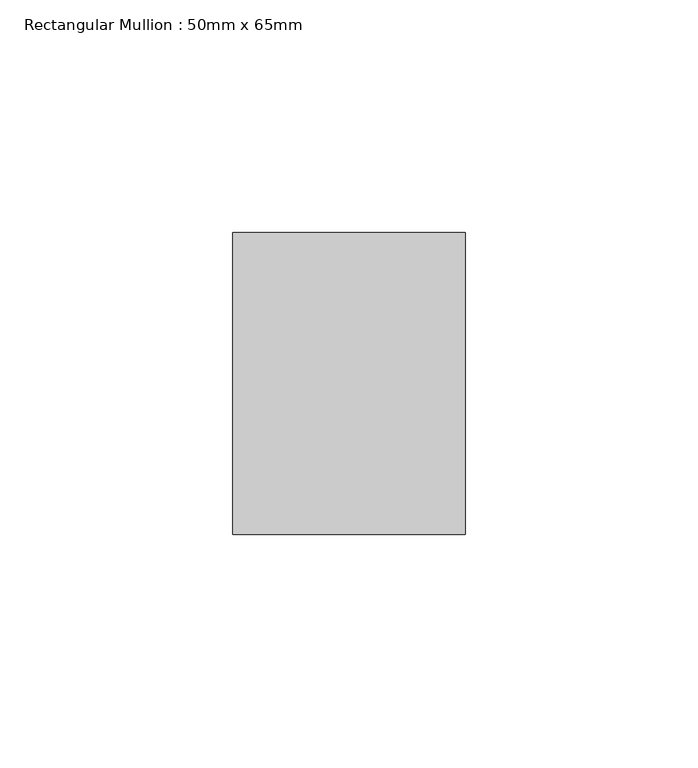
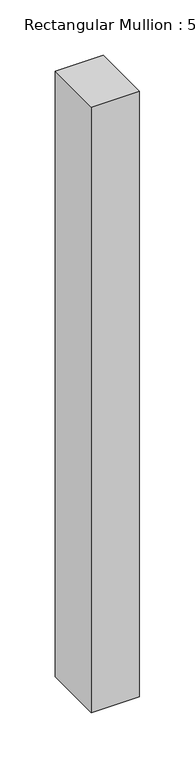
"""IFC4 building model written with IfcOpenShell, lengths in millimetres: member geometry, Rectangular Mullion : 50mm x 65mm."""

from ifc_helpers import new_model, si_unit, frame, origin, place, context, project, spatial, polyline, outline, extrude, source, transform, mapped, element, save


def rectangular_mullion_50mm_x_65mm_f259a4f3(model_context):
    return source(origin(), model_context, "Body", "SweptSolid", [
        extrude(outline(polyline([(25.0, 32.5), (25.0, -32.5), (-25.0, -32.5), (-25.0, 32.5), (25.0, 32.5)])), frame((0.0, 0.0, -667.5405844), z_axis=(0.0, 0.0, 1.0), x_axis=(1.0, 0.0, 0.0)), (0.0, 0.0, 1.0), 667.5405844),
    ])


if __name__ == "__main__":
    model = new_model("IFC4")
    model_context = context("Model", 3, world=origin())
    ifc_project = project(units=[si_unit("LENGTHUNIT", "METRE", prefix="MILLI")], contexts=[model_context])
    site = spatial("IfcSite", under=ifc_project)
    building = spatial("IfcBuilding", under=site)
    placement = place(None, origin())
    rectangular_mullion_50mm_x_65mm_shape = rectangular_mullion_50mm_x_65mm_f259a4f3(model_context)
    element("IfcMember", 1, ObjectType="Rectangular Mullion : 50mm x 65mm", at=placement, inside=building, context=model_context, shape_type="MappedRepresentation", body=[
        mapped(rectangular_mullion_50mm_x_65mm_shape, transform((0.0, 0.0, 0.0), x_axis=(1.0, 0.0, 0.0), y_axis=(0.0, 1.0, 0.0), z_axis=(0.0, 0.0, 1.0))),
    ])
    save(model, "model.ifc")
